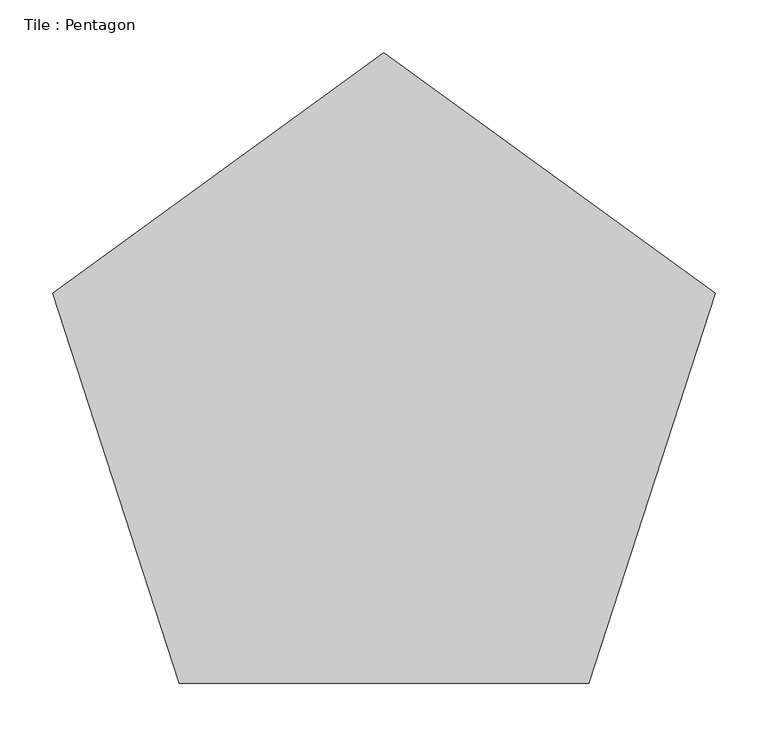
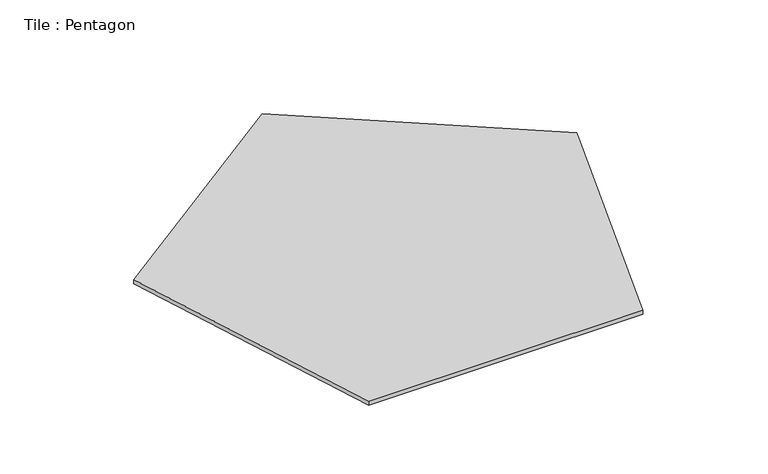
"""IFC4 building model written with IfcOpenShell, lengths in millimetres: proxy geometry, Tile : Pentagon."""

from ifc_helpers import new_model, si_unit, origin, origin_with_axes, place, context, project, spatial, polyline, outline, extrude, source, transform, mapped, element, save


def tile_pentagon_e6236810(model_context):
    return source(origin(), model_context, "Body", "SweptSolid", [
        extrude(outline(polyline([(-315.4386673, 70.8203932), (0.0, 300.0), (315.4386673, 70.8203932), (194.9518177, -300.0), (-194.9518177, -300.0), (-315.4386673, 70.8203932)])), origin_with_axes(), (0.0, 0.0, 1.0), 6.0),
    ])


if __name__ == "__main__":
    model = new_model("IFC4")
    model_context = context("Model", 3, world=origin())
    ifc_project = project(units=[si_unit("LENGTHUNIT", "METRE", prefix="MILLI")], contexts=[model_context])
    site = spatial("IfcSite", under=ifc_project)
    building = spatial("IfcBuilding", under=site)
    placement = place(None, origin())
    tile_pentagon_shape = tile_pentagon_e6236810(model_context)
    element("IfcBuildingElementProxy", 1, Name="Tile : Pentagon", ObjectType="Tile : Pentagon", at=placement, inside=building, context=model_context, shape_type="MappedRepresentation", body=[
        mapped(tile_pentagon_shape, transform((0.0, 0.0, 0.0), x_axis=(1.0, 0.0, 0.0), y_axis=(0.0, 1.0, 0.0), z_axis=(0.0, 0.0, 1.0))),
    ])
    save(model, "model.ifc")
